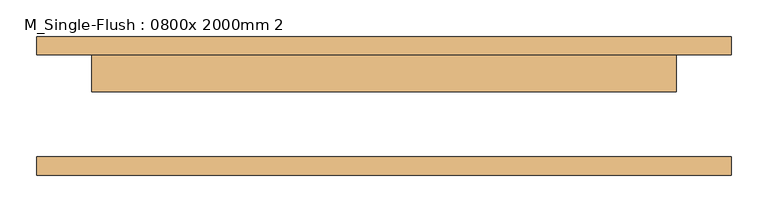
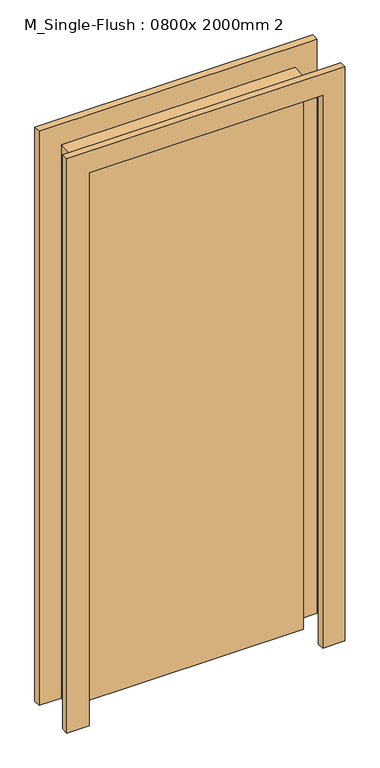
"""IFC4 building model written with IfcOpenShell, lengths in millimetres: door geometry, M_Single-Flush : 0800x 2000mm 2."""

import ifcopenshell
import ifcopenshell.guid

model = None  # the IFC model being written
_history = None  # IfcOwnerHistory: only IFC2X3 demands one
_inside = {}  # id of a spatial element -> (the spatial element, [elements in it])
_under = {}  # id of a project, library or spatial element -> (it, [spatial elements below it])
_declared = {}  # id of a project -> (the project, [libraries it declares])
_typed = {}  # id of a type object -> (the type object, [elements of that type])
_made_of = {}  # id of a material, layer set ... -> (it, [elements and type objects made of it])


def new_model(schema):
    """Start an empty IFC model of exactly this schema.

    Asked for "IFC4X3", IfcOpenShell would pick the latest addendum, in which some entities
    have other attributes; the version numbers below select the first issue.
    IFC2X3 requires an IfcOwnerHistory on every rooted entity: one is made here for all.
    """
    global model, _history
    if schema == "IFC4X3":
        model = ifcopenshell.file(schema_version=(4, 3, 0, 0))
    else:
        model = ifcopenshell.file(schema=schema)
    _inside.clear()
    _under.clear()
    _declared.clear()
    _typed.clear()
    _made_of.clear()
    _history = None
    if model.schema == "IFC2X3":
        org = make("IfcOrganization", Name="unknown")
        user = make(
            "IfcPersonAndOrganization",
            ThePerson=make("IfcPerson", FamilyName="unknown"),
            TheOrganization=org,
        )
        app = make(
            "IfcApplication",
            ApplicationDeveloper=org,
            Version="unknown",
            ApplicationFullName="unknown",
            ApplicationIdentifier="unknown",
        )
        _history = make(
            "IfcOwnerHistory",
            OwningUser=user,
            OwningApplication=app,
            ChangeAction="ADDED",
            CreationDate=0,
        )
    return model


def make(cls, **values):
    """One entity of the class cls with the attributes given. An attribute that is None is left unset."""
    return model.create_entity(
        cls, **{name: value for name, value in values.items() if value is not None}
    )


def rooted(cls, **values):
    """An entity with a GlobalId (a new one), such as an element, a storey or a relation."""
    return make(cls, GlobalId=ifcopenshell.guid.new(), OwnerHistory=_history, **values)


def si_unit(unit_type, name, prefix=None):
    """IfcSIUnit, for example si_unit("LENGTHUNIT", "METRE", prefix="MILLI")."""
    return make("IfcSIUnit", UnitType=unit_type, Prefix=prefix, Name=name)


def assignment(units):
    """IfcUnitAssignment: the units of a project."""
    return None if units is None else make("IfcUnitAssignment", Units=units)


def point(xyz):
    """IfcCartesianPoint."""
    return None if xyz is None else make("IfcCartesianPoint", Coordinates=xyz)


def direction(xyz):
    """IfcDirection."""
    return None if xyz is None else make("IfcDirection", DirectionRatios=xyz)


def frame(location, z_axis=None, x_axis=None):
    """IfcAxis2Placement3D, a coordinate frame: its origin and axes. An axis left out is left unset."""
    return make(
        "IfcAxis2Placement3D",
        Location=point(location),
        Axis=direction(z_axis),
        RefDirection=direction(x_axis),
    )


def origin():
    """The frame at (0, 0, 0) with its axes left unset."""
    return frame((0.0, 0.0, 0.0))


def origin_with_axes():
    """The frame at (0, 0, 0) with the z axis (0, 0, 1) and the x axis (1, 0, 0) written out."""
    return frame((0.0, 0.0, 0.0), z_axis=(0.0, 0.0, 1.0), x_axis=(1.0, 0.0, 0.0))


def place(relative_to, where):
    """IfcLocalPlacement: puts the frame where relative to a parent placement (None: the world)."""
    return make(
        "IfcLocalPlacement", PlacementRelTo=relative_to, RelativePlacement=where
    )


def context(
    kind, dimensions, precision=None, world=None, true_north=None, identifier=None
):
    """IfcGeometricRepresentationContext, for example the 3D "Model" context."""
    return make(
        "IfcGeometricRepresentationContext",
        ContextIdentifier=identifier,
        ContextType=kind,
        CoordinateSpaceDimension=dimensions,
        Precision=precision,
        WorldCoordinateSystem=world,
        TrueNorth=true_north,
    )


def project(units=None, contexts=None):
    """IfcProject with its units and contexts."""
    return rooted(
        "IfcProject",
        Name="project",
        RepresentationContexts=contexts,
        UnitsInContext=assignment(units),
    )


def spatial(cls, under=None, at=None, **own):
    """A site, building, storey or space (cls), placed at a placement, below another one or the project."""
    s = rooted(cls, ObjectPlacement=at, **own)
    if under is not None:
        _under.setdefault(under.id(), (under, []))[1].append(s)
    return s


def polyline(points):
    """IfcPolyline through the points."""
    return make("IfcPolyline", Points=[point(p) for p in points])


def outline(outer, holes=None, kind="AREA"):
    """IfcArbitraryClosedProfileDef: a profile drawn as a closed curve; with holes, ...WithVoids."""
    if holes is None:
        return make("IfcArbitraryClosedProfileDef", ProfileType=kind, OuterCurve=outer)
    return make(
        "IfcArbitraryProfileDefWithVoids",
        ProfileType=kind,
        OuterCurve=outer,
        InnerCurves=holes,
    )


def extrude(swept, where, along, depth):
    """IfcExtrudedAreaSolid: the profile swept, set in the frame where, extruded along a direction by depth."""
    return make(
        "IfcExtrudedAreaSolid",
        SweptArea=swept,
        Position=where,
        ExtrudedDirection=direction(along),
        Depth=depth,
    )


def shape(context_of_items, identifier, shape_type, items):
    """IfcShapeRepresentation: the items that make up one representation, for example the "Body"."""
    return make(
        "IfcShapeRepresentation",
        ContextOfItems=context_of_items,
        RepresentationIdentifier=identifier,
        RepresentationType=shape_type,
        Items=items,
    )


def source(mapping_origin, context_of_items, identifier, shape_type, items):
    """IfcRepresentationMap: a shape defined once, which mapped items show again and again."""
    return make(
        "IfcRepresentationMap",
        MappingOrigin=mapping_origin,
        MappedRepresentation=shape(context_of_items, identifier, shape_type, items),
    )


def transform(
    local_origin,
    x_axis=None,
    y_axis=None,
    z_axis=None,
    scale=None,
    scale2=None,
    scale3=None,
    uniform=True,
):
    """IfcCartesianTransformationOperator3D, or its non-uniform kind. x_axis, y_axis, z_axis: its Axis1, 2, 3."""
    if uniform:
        return make(
            "IfcCartesianTransformationOperator3D",
            Axis1=direction(x_axis),
            Axis2=direction(y_axis),
            LocalOrigin=point(local_origin),
            Scale=scale,
            Axis3=direction(z_axis),
        )
    return make(
        "IfcCartesianTransformationOperator3DnonUniform",
        Axis1=direction(x_axis),
        Axis2=direction(y_axis),
        LocalOrigin=point(local_origin),
        Scale=scale,
        Axis3=direction(z_axis),
        Scale2=scale2,
        Scale3=scale3,
    )


def mapped(mapping_source, mapping_target):
    """IfcMappedItem: shows the shape of a source again, moved by a transform."""
    return make(
        "IfcMappedItem", MappingSource=mapping_source, MappingTarget=mapping_target
    )


def made_of(thing, what):
    """Note that an element or type object is made of a material, layer set ...; save() writes the relation."""
    if what is not None:
        _made_of.setdefault(what.id(), (what, []))[1].append(thing)
    return thing


def element(
    cls,
    number,
    at=None,
    inside=None,
    cuts=None,
    type_object=None,
    material=None,
    context=None,
    identifier="Body",
    shape_type=None,
    held_by="IfcProductDefinitionShape",
    body=None,
    shapes=None,
    **own,
):
    """One element of the class cls, such as IfcWall. Its Tag is "e" and its number.

    at: its placement. inside: the storey or other place that contains it. cuts: it is an
    opening in that element (IfcRelVoidsElement). A single representation is given by context,
    identifier, shape_type and body (its items); several are given by shapes. held_by: the class
    of the entity that holds the representations. save() writes the other relations.
    """
    e = rooted(cls, Tag="e%d" % number, ObjectPlacement=at, **own)
    if body is not None:
        shapes = [shape(context, identifier, shape_type, body)]
    if shapes is not None:
        e.Representation = make(held_by, Representations=shapes)
    if inside is not None:
        _inside.setdefault(inside.id(), (inside, []))[1].append(e)
    if cuts is not None:
        rooted(
            "IfcRelVoidsElement", RelatingBuildingElement=cuts, RelatedOpeningElement=e
        )
    if type_object is not None:
        _typed.setdefault(type_object.id(), (type_object, []))[1].append(e)
    return made_of(e, material)


def aggregate(whole, parts):
    """IfcRelAggregates: a whole, such as a stair, and the parts it consists of."""
    return rooted("IfcRelAggregates", RelatingObject=whole, RelatedObjects=parts)


def save(model, path):
    """Write the relations noted so far, then the file.

    IfcRelAggregates (storeys below a building ...), IfcRelContainedInSpatialStructure (elements
    in a storey), IfcRelDefinesByType, IfcRelAssociatesMaterial and IfcRelDeclares: one each for
    every whole, place, type object, material and project.
    """
    for whole, parts in _under.values():
        aggregate(whole, parts)
    for where, things in _inside.values():
        rooted(
            "IfcRelContainedInSpatialStructure",
            RelatedElements=things,
            RelatingStructure=where,
        )
    for kind, things in _typed.values():
        rooted("IfcRelDefinesByType", RelatedObjects=things, RelatingType=kind)
    for what, things in _made_of.values():
        rooted("IfcRelAssociatesMaterial", RelatedObjects=things, RelatingMaterial=what)
    for by, libraries in _declared.values():
        rooted("IfcRelDeclares", RelatingContext=by, RelatedDefinitions=libraries)
    model.write(path)


def m_single_flush_0800x_2000mm_2_07832e62(model_context):
    return source(origin(), model_context, "Body", "SweptSolid", [
        extrude(outline(polyline([(2076.0, -476.0), (0.0, -476.0), (0.0, -400.0), (2000.0, -400.0), (2000.0, 400.0), (0.0, 400.0), (0.0, 476.0), (2076.0, 476.0), (2076.0, -476.0)])), frame((0.0, 70.0, 0.0), z_axis=(0.0, 1.0, 0.0), x_axis=(0.0, 0.0, 1.0)), (0.0, 0.0, 1.0), 25.0),
        extrude(outline(polyline([(2076.0, 476.0), (2076.0, -476.0), (0.0, -476.0), (0.0, -400.0), (2000.0, -400.0), (2000.0, 400.0), (0.0, 400.0), (0.0, 476.0), (2076.0, 476.0)])), frame((0.0, -95.0, 0.0), z_axis=(0.0, 1.0, 0.0), x_axis=(0.0, 0.0, 1.0)), (0.0, 0.0, 1.0), 25.0),
        extrude(outline(polyline([(400.0, 19.0), (-400.0, 19.0), (-400.0, 70.0), (400.0, 70.0), (400.0, 19.0)])), origin_with_axes(), (0.0, 0.0, 1.0), 2000.0),
    ])


if __name__ == "__main__":
    model = new_model("IFC4")
    model_context = context("Model", 3, world=origin())
    ifc_project = project(units=[si_unit("LENGTHUNIT", "METRE", prefix="MILLI")], contexts=[model_context])
    site = spatial("IfcSite", under=ifc_project)
    building = spatial("IfcBuilding", under=site)
    placement = place(None, origin())
    m_single_flush_0800x_2000mm_2_shape = m_single_flush_0800x_2000mm_2_07832e62(model_context)
    element("IfcDoor", 1, ObjectType="M_Single-Flush : 0800x 2000mm 2", at=placement, inside=building, context=model_context, shape_type="MappedRepresentation", body=[
        mapped(m_single_flush_0800x_2000mm_2_shape, transform((0.0, 0.0, 0.0), x_axis=(1.0, 0.0, 0.0), y_axis=(0.0, 1.0, 0.0), z_axis=(0.0, 0.0, 1.0))),
    ])
    save(model, "model.ifc")
